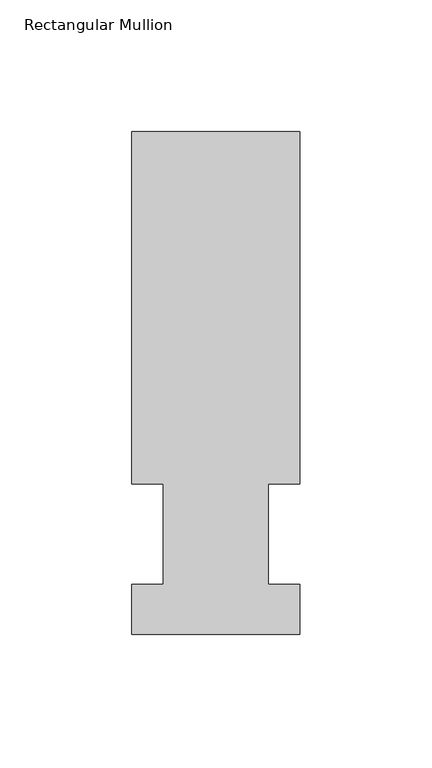
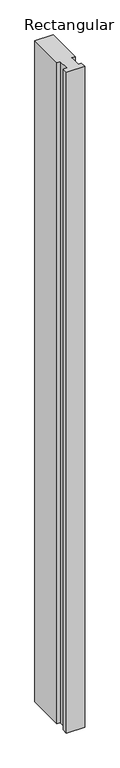
"""IFC4 building model written with IfcOpenShell, lengths in millimetres: member geometry, Rectangular Mullion."""

from ifc_helpers import new_model, si_unit, frame, origin, place, context, project, spatial, polyline, outline, extrude, source, transform, mapped, element, save


def rectangular_mullion_14c681d5(model_context):
    return source(origin(), model_context, "Body", "SweptSolid", [
        extrude(outline(polyline([(31.75, 152.4), (31.75, 19.0495158), (19.8374, 19.0495158), (19.8374, -19.0504842), (31.75, -19.0504842), (31.75, -38.1), (-31.75, -38.1), (-31.75, -19.0504842), (-19.8374, -19.0504842), (-19.8374, 19.0495158), (-31.75, 19.0495158), (-31.75, 152.4), (31.75, 152.4)])), frame((0.0, 0.0, -2438.4), z_axis=(0.0, 0.0, 1.0), x_axis=(1.0, 0.0, 0.0)), (0.0, 0.0, 1.0), 2438.4),
    ])


if __name__ == "__main__":
    model = new_model("IFC4")
    model_context = context("Model", 3, world=origin())
    ifc_project = project(units=[si_unit("LENGTHUNIT", "METRE", prefix="MILLI")], contexts=[model_context])
    site = spatial("IfcSite", under=ifc_project)
    building = spatial("IfcBuilding", under=site)
    placement = place(None, origin())
    rectangular_mullion_shape = rectangular_mullion_14c681d5(model_context)
    element("IfcMember", 1, ObjectType="Rectangular Mullion", at=placement, inside=building, context=model_context, shape_type="MappedRepresentation", body=[
        mapped(rectangular_mullion_shape, transform((0.0, 0.0, 0.0), x_axis=(1.0, 0.0, 0.0), y_axis=(0.0, 1.0, 0.0), z_axis=(0.0, 0.0, 1.0))),
    ])
    save(model, "model.ifc")
